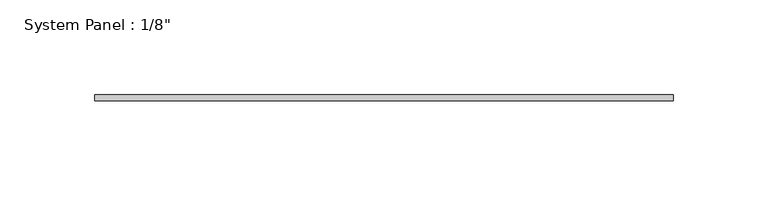
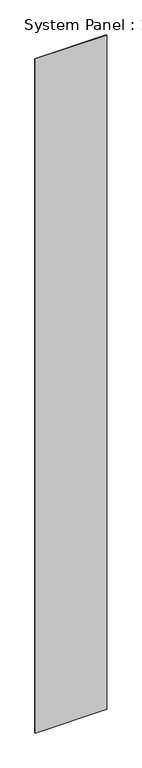
"""IFC4 building model written with IfcOpenShell, lengths in millimetres: plate geometry."""

from ifc_helpers import new_model, si_unit, origin, origin_with_axes, place, context, project, spatial, polyline, outline, extrude, source, transform, mapped, element, save


def plate_803fa96b(model_context):
    return source(origin(), model_context, "Body", "SweptSolid", [
        extrude(outline(polyline([(152.4, -3.175), (-152.4, -3.175), (-152.4, 0.0), (152.4, 0.0), (152.4, -3.175)])), origin_with_axes(), (0.0, 0.0, 1.0), 3048.0),
    ])


if __name__ == "__main__":
    model = new_model("IFC4")
    model_context = context("Model", 3, world=origin())
    ifc_project = project(units=[si_unit("LENGTHUNIT", "METRE", prefix="MILLI")], contexts=[model_context])
    site = spatial("IfcSite", under=ifc_project)
    building = spatial("IfcBuilding", under=site)
    placement = place(None, origin())
    plate_shape = plate_803fa96b(model_context)
    element("IfcPlate", 1, ObjectType="System Panel : 1/8\"", at=placement, inside=building, context=model_context, shape_type="MappedRepresentation", body=[
        mapped(plate_shape, transform((0.0, 0.0, 0.0), x_axis=(1.0, 0.0, 0.0), y_axis=(0.0, 1.0, 0.0), z_axis=(0.0, 0.0, 1.0))),
    ])
    save(model, "model.ifc")
